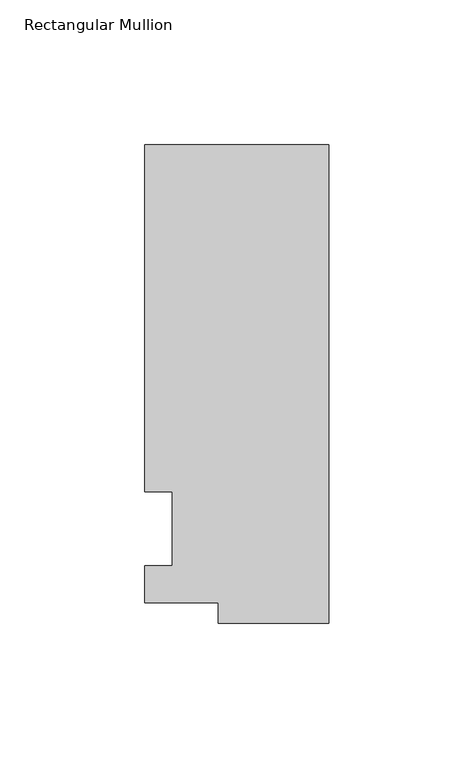
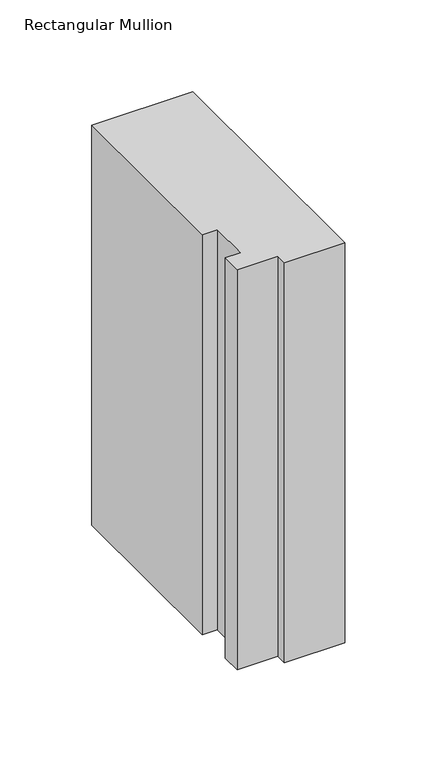
"""IFC4 building model written with IfcOpenShell, lengths in millimetres: member geometry, Rectangular Mullion."""

from ifc_helpers import new_model, si_unit, frame, origin, place, context, project, spatial, polyline, outline, extrude, source, transform, mapped, element, save


def rectangular_mullion_7335fa91(model_context):
    return source(origin(), model_context, "Body", "SweptSolid", [
        extrude(outline(polyline([(-38.1, -32.54375), (-38.1, -25.58415), (-63.5, -25.58415), (-63.5, -12.7), (-53.975, -12.7), (-53.975, 12.7), (-63.5, 12.7), (-63.5, 132.55625), (0.0, 132.55625), (0.0, -32.54375), (-38.1, -32.54375)])), frame((0.0, 0.0, -265.75385), z_axis=(0.0, 0.0, 1.0), x_axis=(1.0, 0.0, 0.0)), (0.0, 0.0, 1.0), 265.75385),
    ])


if __name__ == "__main__":
    model = new_model("IFC4")
    model_context = context("Model", 3, world=origin())
    ifc_project = project(units=[si_unit("LENGTHUNIT", "METRE", prefix="MILLI")], contexts=[model_context])
    site = spatial("IfcSite", under=ifc_project)
    building = spatial("IfcBuilding", under=site)
    placement = place(None, origin())
    rectangular_mullion_shape = rectangular_mullion_7335fa91(model_context)
    element("IfcMember", 1, ObjectType="Rectangular Mullion", at=placement, inside=building, context=model_context, shape_type="MappedRepresentation", body=[
        mapped(rectangular_mullion_shape, transform((0.0, 0.0, 0.0), x_axis=(1.0, 0.0, 0.0), y_axis=(0.0, 1.0, 0.0), z_axis=(0.0, 0.0, 1.0))),
    ])
    save(model, "model.ifc")
